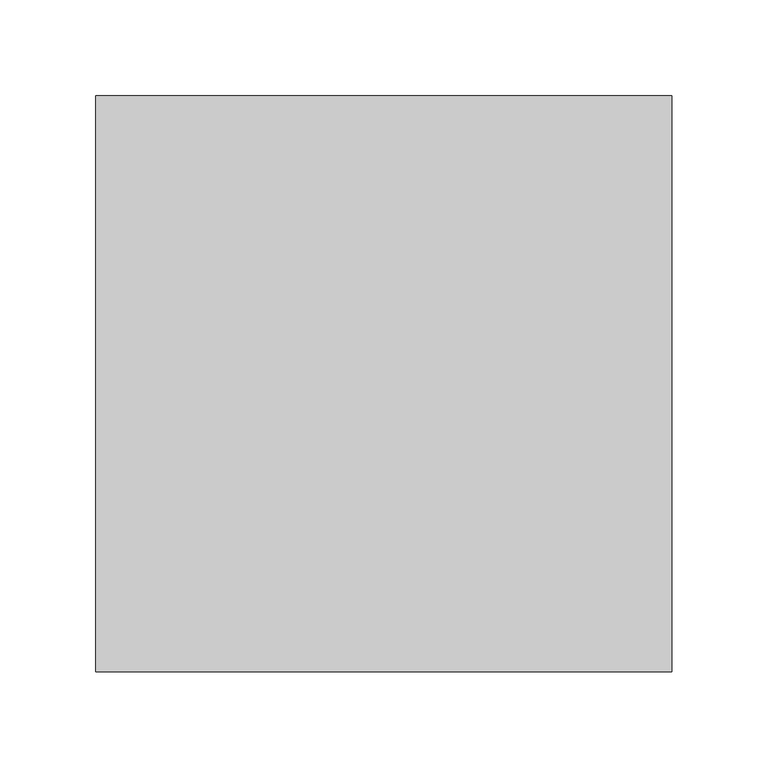
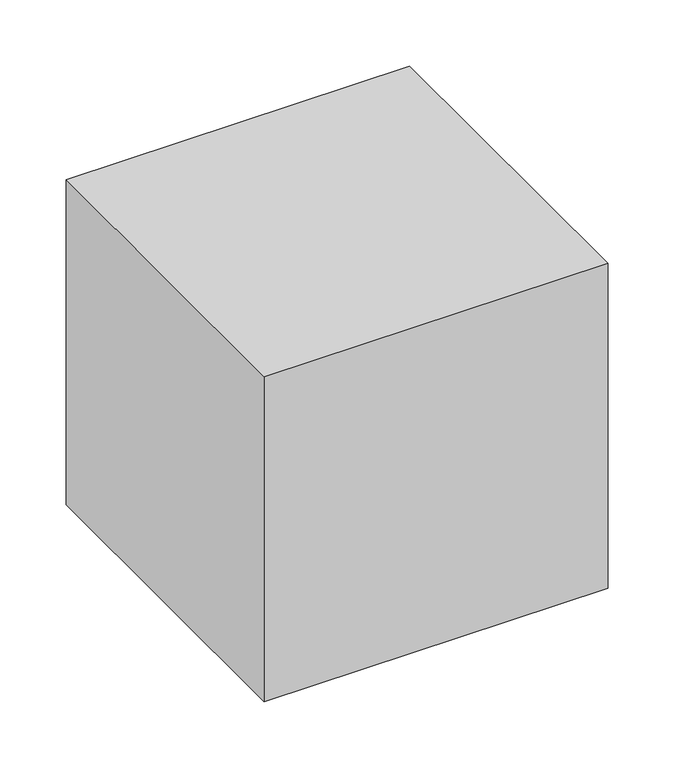
"""IFC4 building model written with IfcOpenShell, lengths in millimetres: proxy geometry."""

from ifc_helpers import new_model, si_unit, origin, origin_with_axes, place, context, project, spatial, polyline, outline, extrude, source, transform, mapped, element, save


def generic_models_fc4c2a8e(model_context):
    return source(origin(), model_context, "Body", "SweptSolid", [
        extrude(outline(polyline([(300.0, 300.0), (300.0, 0.0), (0.0, 0.0), (0.0, 300.0), (300.0, 300.0)])), origin_with_axes(), (0.0, 0.0, 1.0), 300.0),
    ])


if __name__ == "__main__":
    model = new_model("IFC4")
    model_context = context("Model", 3, world=origin())
    ifc_project = project(units=[si_unit("LENGTHUNIT", "METRE", prefix="MILLI")], contexts=[model_context])
    site = spatial("IfcSite", under=ifc_project)
    building = spatial("IfcBuilding", under=site)
    placement = place(None, origin())
    generic_models_shape = generic_models_fc4c2a8e(model_context)
    element("IfcBuildingElementProxy", 1, Name="Generic Models", at=placement, inside=building, context=model_context, shape_type="MappedRepresentation", body=[
        mapped(generic_models_shape, transform((0.0, 0.0, 0.0), x_axis=(1.0, 0.0, 0.0), y_axis=(0.0, 1.0, 0.0), z_axis=(0.0, 0.0, 1.0))),
    ])
    save(model, "model.ifc")
